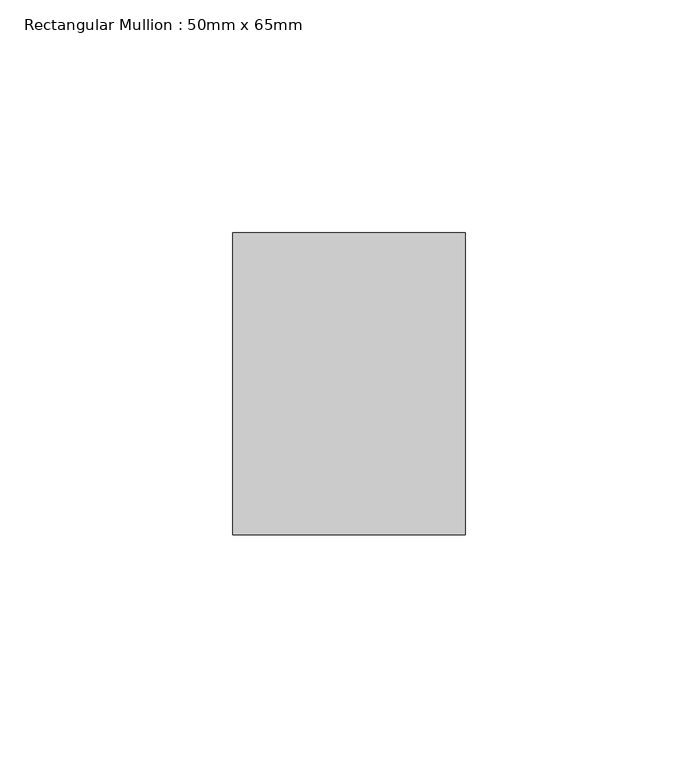
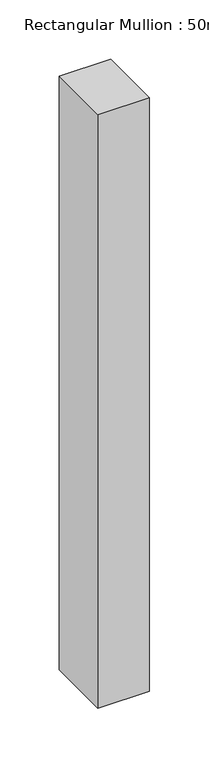
"""IFC4 building model written with IfcOpenShell, lengths in millimetres: member geometry, Rectangular Mullion : 50mm x 65mm."""

from ifc_helpers import new_model, si_unit, frame, origin, place, context, project, spatial, polyline, outline, extrude, source, transform, mapped, element, save


def rectangular_mullion_50mm_x_65mm_e704eaaf(model_context):
    return source(origin(), model_context, "Body", "SweptSolid", [
        extrude(outline(polyline([(25.0, 32.5), (25.0, -32.5), (-25.0, -32.5), (-25.0, 32.5), (25.0, 32.5)])), frame((0.0, 0.0, -610.7645327), z_axis=(0.0, 0.0, 1.0), x_axis=(1.0, 0.0, 0.0)), (0.0, 0.0, 1.0), 610.7645327),
    ])


if __name__ == "__main__":
    model = new_model("IFC4")
    model_context = context("Model", 3, world=origin())
    ifc_project = project(units=[si_unit("LENGTHUNIT", "METRE", prefix="MILLI")], contexts=[model_context])
    site = spatial("IfcSite", under=ifc_project)
    building = spatial("IfcBuilding", under=site)
    placement = place(None, origin())
    rectangular_mullion_50mm_x_65mm_shape = rectangular_mullion_50mm_x_65mm_e704eaaf(model_context)
    element("IfcMember", 1, ObjectType="Rectangular Mullion : 50mm x 65mm", at=placement, inside=building, context=model_context, shape_type="MappedRepresentation", body=[
        mapped(rectangular_mullion_50mm_x_65mm_shape, transform((0.0, 0.0, 0.0), x_axis=(1.0, 0.0, 0.0), y_axis=(0.0, 1.0, 0.0), z_axis=(0.0, 0.0, 1.0))),
    ])
    save(model, "model.ifc")
